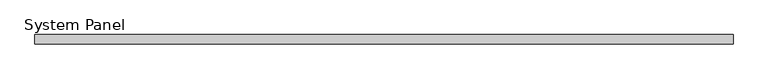
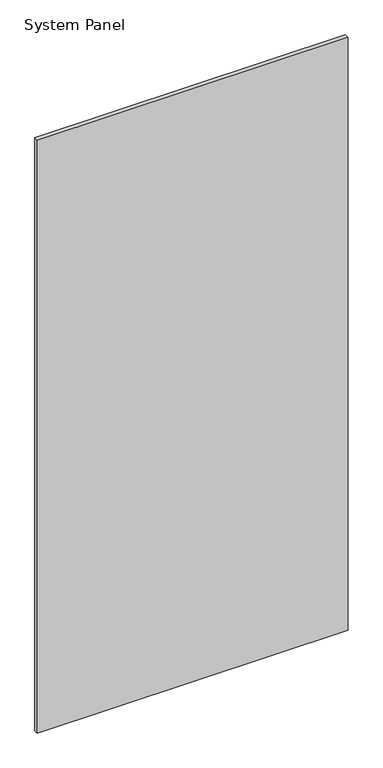
"""IFC4 building model written with IfcOpenShell, lengths in millimetres: plate geometry, System Panel."""

from ifc_helpers import new_model, si_unit, origin, origin_with_axes, place, context, project, spatial, polyline, outline, extrude, source, transform, mapped, element, save


def system_panel_5a9d6ca1(model_context):
    return source(origin(), model_context, "Body", "SweptSolid", [
        extrude(outline(polyline([(592.5, -8.0), (-592.5, -8.0), (-592.5, 8.0), (592.5, 8.0), (592.5, -8.0)])), origin_with_axes(), (0.0, 0.0, 1.0), 2390.0),
    ])


if __name__ == "__main__":
    model = new_model("IFC4")
    model_context = context("Model", 3, world=origin())
    ifc_project = project(units=[si_unit("LENGTHUNIT", "METRE", prefix="MILLI")], contexts=[model_context])
    site = spatial("IfcSite", under=ifc_project)
    building = spatial("IfcBuilding", under=site)
    placement = place(None, origin())
    system_panel_shape = system_panel_5a9d6ca1(model_context)
    element("IfcPlate", 1, ObjectType="System Panel", at=placement, inside=building, context=model_context, shape_type="MappedRepresentation", body=[
        mapped(system_panel_shape, transform((0.0, 0.0, 0.0), x_axis=(1.0, 0.0, 0.0), y_axis=(0.0, 1.0, 0.0), z_axis=(0.0, 0.0, 1.0))),
    ])
    save(model, "model.ifc")
